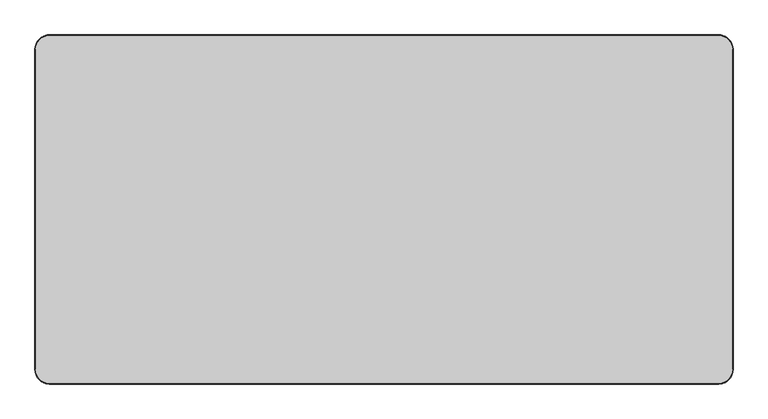
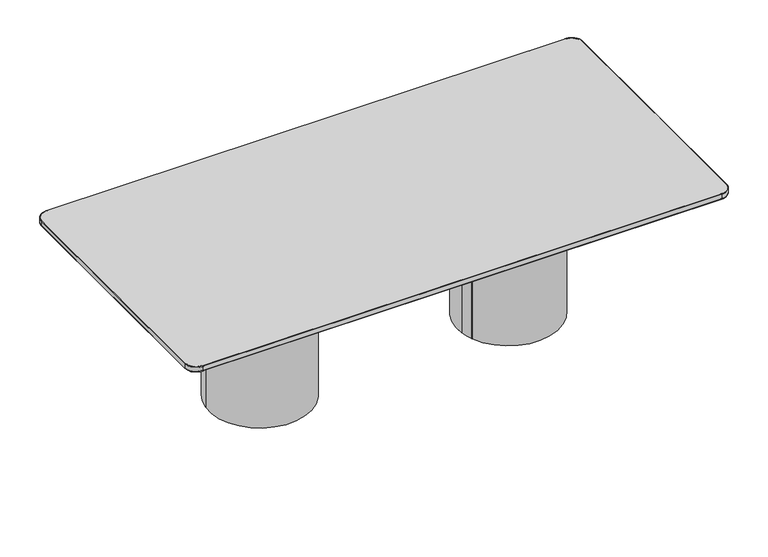
"""IFC4 building model written with IfcOpenShell, lengths in millimetres: furniture geometry."""

from ifc_helpers import new_model, si_unit, point, frame, frame_2d, origin, origin_with_axes, place, context, project, spatial, circle_curve, ellipse_curve, trimmed, segment, composite_curve, outline, extrude, source, transform, mapped, element, save
from ifc_brep_helpers import plane_surface, cylinder_surface, revolved_surface, advanced_brep


def furniture_a3d85867(model_context):
    return source(origin(), model_context, "Body", "SolidModel", [
        extrude(outline(composite_curve([segment(trimmed(circle_curve(frame_2d((550.0, 0.0)), 225.0), [point((327.1030349, -30.6910892))], [point((772.8969651, 30.6910892))], False, "CARTESIAN"), True, "CONTINUOUS"), segment(trimmed(circle_curve(frame_2d((550.0, 0.0)), 225.0), [point((772.8969651, 30.6910892))], [point((342.0305977, -85.8704124))], False, "CARTESIAN"), True, "CONTINUOUS"), segment(trimmed(circle_curve(frame_2d((344.2071397, -84.9717198)), 2.3547788), [point((342.0305977, -85.8704124))], [point((343.3315173, -82.7857947))], False, "CARTESIAN"), True, "CONTINUOUS"), segment(trimmed(circle_curve(frame_2d((342.4558949, -80.5998695)), 2.3547788), [point((343.3315173, -82.7857947))], [point((340.2608311, -81.4523238))], False, "CARTESIAN"), True, "CONTINUOUS"), segment(trimmed(circle_curve(frame_2d((550.0, 0.0)), 225.0), [point((340.2608311, -81.4523238))], [point((327.1030349, -30.6910892))], False, "CARTESIAN"), True, "CONTINUOUS")], self_intersect=False), holes=[composite_curve([segment(trimmed(circle_curve(frame_2d((550.0, 0.0)), 110.0), [point((441.0281504, -15.0045325))], [point((658.9718496, 15.0045325))], True, "CARTESIAN"), True, "CONTINUOUS"), segment(trimmed(circle_curve(frame_2d((550.0, 0.0)), 110.0), [point((658.9718496, 15.0045325))], [point((441.0281504, -15.0045325))], True, "CARTESIAN"), True, "CONTINUOUS")], self_intersect=False)]), frame((0.0, 0.0, 4.8896843), z_axis=(0.0, 0.0, 1.0), x_axis=(1.0, 0.0, 0.0)), (0.0, 0.0, 1.0), 683.0386299),
        extrude(outline(composite_curve([segment(trimmed(circle_curve(frame_2d((763.1156366, 0.078125)), 6.5), [point((769.6156366, 0.078125))], [point((756.6156366, 0.078125))], False, "CARTESIAN"), True, "CONTINUOUS"), segment(trimmed(circle_curve(frame_2d((763.1156366, 0.078125)), 6.5), [point((756.6156366, 0.078125))], [point((769.6156366, 0.078125))], False, "CARTESIAN"), True, "CONTINUOUS")], self_intersect=False)), origin_with_axes(), (0.0, 0.0, 1.0), 4.8896843),
        extrude(outline(composite_curve([segment(trimmed(circle_curve(frame_2d((336.371752, 0.15625)), 6.5), [point((342.871752, 0.15625))], [point((329.871752, 0.15625))], False, "CARTESIAN"), True, "CONTINUOUS"), segment(trimmed(circle_curve(frame_2d((336.371752, 0.15625)), 6.5), [point((329.871752, 0.15625))], [point((342.871752, 0.15625))], False, "CARTESIAN"), True, "CONTINUOUS")], self_intersect=False)), origin_with_axes(), (0.0, 0.0, 1.0), 4.8896843),
        extrude(outline(composite_curve([segment(trimmed(circle_curve(frame_2d((550.3899565, 214.1963606)), 6.5), [point((556.8899565, 214.1963606))], [point((543.8899565, 214.1963606))], False, "CARTESIAN"), True, "CONTINUOUS"), segment(trimmed(circle_curve(frame_2d((550.3899565, 214.1963606)), 6.5), [point((543.8899565, 214.1963606))], [point((556.8899565, 214.1963606))], False, "CARTESIAN"), True, "CONTINUOUS")], self_intersect=False)), origin_with_axes(), (0.0, 0.0, 1.0), 4.8896843),
        extrude(outline(composite_curve([segment(trimmed(circle_curve(frame_2d((550.4382324, -210.2346639)), 6.5), [point((556.9382324, -210.2346639))], [point((543.9382324, -210.2346639))], False, "CARTESIAN"), True, "CONTINUOUS"), segment(trimmed(circle_curve(frame_2d((550.4382324, -210.2346639)), 6.5), [point((543.9382324, -210.2346639))], [point((556.9382324, -210.2346639))], False, "CARTESIAN"), True, "CONTINUOUS")], self_intersect=False)), origin_with_axes(), (0.0, 0.0, 1.0), 4.8896843),
        extrude(outline(composite_curve([segment(trimmed(circle_curve(frame_2d((-550.0, 0.0)), 225.0), [point((-772.8969651, 30.6910892))], [point((-327.1030349, -30.6910892))], False, "CARTESIAN"), True, "CONTINUOUS"), segment(trimmed(circle_curve(frame_2d((-550.0, 0.0)), 225.0), [point((-327.1030349, -30.6910892))], [point((-340.2608311, -81.4523238))], False, "CARTESIAN"), True, "CONTINUOUS"), segment(trimmed(circle_curve(frame_2d((-342.4558949, -80.5998695)), 2.3547788), [point((-340.2608311, -81.4523238))], [point((-343.3315173, -82.7857947))], False, "CARTESIAN"), True, "CONTINUOUS"), segment(trimmed(circle_curve(frame_2d((-344.2071397, -84.9717198)), 2.3547788), [point((-343.3315173, -82.7857947))], [point((-342.0305977, -85.8704124))], False, "CARTESIAN"), True, "CONTINUOUS"), segment(trimmed(circle_curve(frame_2d((-550.0, 0.0)), 225.0), [point((-342.0305977, -85.8704124))], [point((-772.8969651, 30.6910892))], False, "CARTESIAN"), True, "CONTINUOUS")], self_intersect=False), holes=[composite_curve([segment(trimmed(circle_curve(frame_2d((-550.0, 0.0)), 110.0), [point((-441.0281504, -15.0045325))], [point((-658.9718496, 15.0045325))], True, "CARTESIAN"), True, "CONTINUOUS"), segment(trimmed(circle_curve(frame_2d((-550.0, 0.0)), 110.0), [point((-658.9718496, 15.0045325))], [point((-441.0281504, -15.0045325))], True, "CARTESIAN"), True, "CONTINUOUS")], self_intersect=False)]), frame((0.0, 0.0, 4.8896843), z_axis=(0.0, 0.0, 1.0), x_axis=(1.0, 0.0, 0.0)), (0.0, 0.0, 1.0), 683.0386299),
        extrude(outline(composite_curve([segment(trimmed(circle_curve(frame_2d((-763.1156366, 0.078125)), 6.5), [point((-769.6156366, 0.078125))], [point((-756.6156366, 0.078125))], False, "CARTESIAN"), True, "CONTINUOUS"), segment(trimmed(circle_curve(frame_2d((-763.1156366, 0.078125)), 6.5), [point((-756.6156366, 0.078125))], [point((-769.6156366, 0.078125))], False, "CARTESIAN"), True, "CONTINUOUS")], self_intersect=False)), origin_with_axes(), (0.0, 0.0, 1.0), 4.8896843),
        extrude(outline(composite_curve([segment(trimmed(circle_curve(frame_2d((-336.371752, 0.15625)), 6.5), [point((-342.871752, 0.15625))], [point((-329.871752, 0.15625))], False, "CARTESIAN"), True, "CONTINUOUS"), segment(trimmed(circle_curve(frame_2d((-336.371752, 0.15625)), 6.5), [point((-329.871752, 0.15625))], [point((-342.871752, 0.15625))], False, "CARTESIAN"), True, "CONTINUOUS")], self_intersect=False)), origin_with_axes(), (0.0, 0.0, 1.0), 4.8896843),
        extrude(outline(composite_curve([segment(trimmed(circle_curve(frame_2d((-550.3899565, 214.1963606)), 6.5), [point((-556.8899565, 214.1963606))], [point((-543.8899565, 214.1963606))], False, "CARTESIAN"), True, "CONTINUOUS"), segment(trimmed(circle_curve(frame_2d((-550.3899565, 214.1963606)), 6.5), [point((-543.8899565, 214.1963606))], [point((-556.8899565, 214.1963606))], False, "CARTESIAN"), True, "CONTINUOUS")], self_intersect=False)), origin_with_axes(), (0.0, 0.0, 1.0), 4.8896843),
        extrude(outline(composite_curve([segment(trimmed(circle_curve(frame_2d((-550.4382324, -210.2346639)), 6.5), [point((-556.9382324, -210.2346639))], [point((-543.9382324, -210.2346639))], False, "CARTESIAN"), True, "CONTINUOUS"), segment(trimmed(circle_curve(frame_2d((-550.4382324, -210.2346639)), 6.5), [point((-543.9382324, -210.2346639))], [point((-556.9382324, -210.2346639))], False, "CARTESIAN"), True, "CONTINUOUS")], self_intersect=False)), origin_with_axes(), (0.0, 0.0, 1.0), 4.8896843),
        advanced_brep(
        [(-1149.9997658, 597.9997138, 712.3033142), (-1197.9997658, 549.9997138, 712.3033142), (-1197.9997658, -549.9999029, 712.3033142), (-1149.9997658, -597.9999029, 712.3033142), (1149.9998844, -597.9999029, 712.3033142), (1197.999657, -550.0001303, 712.3033142), (1197.999657, 549.9997138, 712.3033142), (1149.999657, 597.9997138, 712.3033142), (1149.999657, 597.9997138, 687.9283142), (1197.999657, 549.9997138, 687.9283142), (1197.999657, -550.0001303, 687.9283142), (1149.9998844, -597.9999029, 687.9283142), (-1149.9997658, -597.9999029, 687.9283142), (-1197.9997658, -549.9999029, 687.9283142), (-1197.9997658, 549.9997138, 687.9283142), (-1149.9997658, 597.9997138, 687.9283142), (-1149.9997658, 599.9997138, 710.3033142), (1149.999657, 599.9997138, 710.3033142), (1149.999657, 599.9997138, 689.928313), (-1149.9997658, 599.9997138, 689.9283142), (-1199.9997658, 549.9997138, 710.3033142), (-1199.9997658, 549.9997138, 689.9283142), (-1199.9997658, -549.9999029, 710.3033142), (-1199.9997658, -549.9999029, 689.9283142), (-1149.9997658, -599.9999029, 710.3033142), (-1149.9997658, -599.9999029, 689.9283142), (1149.9998844, -599.9999029, 710.3033142), (1149.9998844, -599.9999029, 689.9283142), (1199.999657, -550.0001303, 710.3033142), (1199.999657, -550.0001303, 689.9283142), (1199.999657, 549.9997138, 710.3033142), (1199.999657, 549.9997138, 689.9283142)],
        [
            (0, 1, circle_curve(frame((-1149.9997658, 549.9997138, 712.3033142), z_axis=(0.0, 0.0, 1.0), x_axis=(0.0, 1.0, 0.0)), 48.0)),
            (1, 2),
            (2, 3, circle_curve(frame((-1149.9997658, -549.9999029, 712.3033142), z_axis=(0.0, 0.0, 1.0), x_axis=(-1.0, 0.0, 0.0)), 48.0)),
            (3, 4),
            (4, 5, circle_curve(frame((1149.9998844, -550.0001303, 712.3033142), z_axis=(0.0, 0.0, 1.0), x_axis=(0.0, -1.0, 0.0)), 47.9997726)),
            (5, 6),
            (6, 7, circle_curve(frame((1149.999657, 549.9997138, 712.3033142), z_axis=(0.0, 0.0, 1.0), x_axis=(1.0, 0.0, 0.0)), 48.0)),
            (7, 0),
            (8, 9, circle_curve(frame((1149.999657, 549.9997138, 687.9283142), z_axis=(0.0, 0.0, -1.0), x_axis=(0.0, 1.0, 0.0)), 48.0)),
            (9, 10),
            (10, 11, circle_curve(frame((1149.9998844, -550.0001303, 687.9283142), z_axis=(0.0, 0.0, -1.0), x_axis=(1.0, 0.0, 0.0)), 47.9997726)),
            (11, 12),
            (12, 13, circle_curve(frame((-1149.9997658, -549.9999029, 687.9283142), z_axis=(0.0, 0.0, -1.0), x_axis=(0.0, -1.0, 0.0)), 48.0)),
            (13, 14),
            (14, 15, circle_curve(frame((-1149.9997658, 549.9997138, 687.9283142), z_axis=(0.0, 0.0, -1.0), x_axis=(-1.0, 0.0, 0.0)), 48.0)),
            (15, 8),
            (16, 17),
            (17, 18),
            (18, 19),
            (19, 16),
            (20, 16, circle_curve(frame((-1149.9997658, 549.9997138, 710.3033142), z_axis=(0.0, 0.0, -1.0), x_axis=(1.0, 0.0, 0.0)), 50.0)),
            (19, 21, circle_curve(frame((-1149.9997658, 549.9997138, 689.9283142), z_axis=(0.0, 0.0, 1.0), x_axis=(1.0, 0.0, 0.0)), 50.0)),
            (21, 20),
            (22, 20),
            (21, 23),
            (23, 22),
            (24, 22, circle_curve(frame((-1149.9997658, -549.9999029, 710.3033142), z_axis=(0.0, 0.0, -1.0), x_axis=(1.0, 0.0, 0.0)), 50.0)),
            (23, 25, circle_curve(frame((-1149.9997658, -549.9999029, 689.9283142), z_axis=(0.0, 0.0, 1.0), x_axis=(1.0, 0.0, 0.0)), 50.0)),
            (25, 24),
            (26, 24),
            (25, 27),
            (27, 26),
            (28, 26, circle_curve(frame((1149.9998844, -550.0001303, 710.3033142), z_axis=(0.0, 0.0, -1.0), x_axis=(1.0, 0.0, 0.0)), 49.9997726)),
            (27, 29, circle_curve(frame((1149.9998844, -550.0001303, 689.9283142), z_axis=(0.0, 0.0, 1.0), x_axis=(1.0, 0.0, 0.0)), 49.9997726)),
            (29, 28),
            (30, 28),
            (29, 31),
            (31, 30),
            (17, 30, circle_curve(frame((1149.999657, 549.9997138, 710.3033142), z_axis=(0.0, 0.0, -1.0), x_axis=(1.0, 0.0, 0.0)), 50.0)),
            (31, 18, circle_curve(frame((1149.999657, 549.9997138, 689.9283142), z_axis=(0.0, 0.0, 1.0), x_axis=(1.0, 0.0, 0.0)), 50.0)),
            (20, 1, circle_curve(frame((-1197.9997658, 549.9997138, 710.3033142), z_axis=(0.0, 1.0, 0.0), x_axis=(1.0, 0.0, 0.0)), 2.0)),
            (0, 16, circle_curve(frame((-1149.9997658, 597.9997138, 710.3033142), z_axis=(-1.0, 0.0, 0.0), x_axis=(0.0, -1.0, 0.0)), 2.0)),
            (22, 2, circle_curve(frame((-1197.9997658, -549.9999029, 710.3033142), z_axis=(0.0, 1.0, 0.0), x_axis=(1.0, 0.0, 0.0)), 2.0)),
            (24, 3, circle_curve(frame((-1149.9997658, -597.9999029, 710.3033142), z_axis=(-1.0, 0.0, 0.0), x_axis=(0.0, 1.0, 0.0)), 2.0)),
            (26, 4, circle_curve(frame((1149.9998844, -597.9999029, 710.3033142), z_axis=(-1.0, 0.0, 0.0), x_axis=(0.0, 1.0, 0.0)), 2.0)),
            (28, 5, circle_curve(frame((1197.999657, -550.0001303, 710.3033142), z_axis=(0.0, -1.0, 0.0), x_axis=(-1.0, 0.0, 0.0)), 2.0)),
            (30, 6, circle_curve(frame((1197.999657, 549.9997138, 710.3033142), z_axis=(0.0, -1.0, 0.0), x_axis=(-1.0, 0.0, 0.0)), 2.0)),
            (17, 7, circle_curve(frame((1149.999657, 597.9997138, 710.3033142), z_axis=(1.0, 0.0, 0.0), x_axis=(0.0, -1.0, 0.0)), 2.0)),
            (31, 9, circle_curve(frame((1197.999657, 549.9997138, 689.9283142), z_axis=(0.0, 1.0, 0.0), x_axis=(-1.0, 0.0, 0.0)), 2.0)),
            (8, 18, circle_curve(frame((1149.999657, 597.9997138, 689.9283142), z_axis=(1.0, 0.0, 0.0), x_axis=(0.0, -1.0, 0.0)), 2.0)),
            (29, 10, circle_curve(frame((1197.999657, -550.0001303, 689.9283142), z_axis=(0.0, 1.0, 0.0), x_axis=(-1.0, 0.0, 0.0)), 2.0)),
            (27, 11, circle_curve(frame((1149.9998844, -597.9999029, 689.9283142), z_axis=(1.0, 0.0, 0.0), x_axis=(0.0, 1.0, 0.0)), 2.0)),
            (25, 12, circle_curve(frame((-1149.9997658, -597.9999029, 689.9283142), z_axis=(1.0, 0.0, 0.0), x_axis=(0.0, 1.0, 0.0)), 2.0)),
            (23, 13, circle_curve(frame((-1197.9997658, -549.9999029, 689.9283142), z_axis=(0.0, -1.0, 0.0), x_axis=(1.0, 0.0, 0.0)), 2.0)),
            (21, 14, circle_curve(frame((-1197.9997658, 549.9997138, 689.9283142), z_axis=(0.0, -1.0, 0.0), x_axis=(1.0, 0.0, 0.0)), 2.0)),
            (19, 15, circle_curve(frame((-1149.9997658, 597.9997138, 689.9283142), z_axis=(-1.0, 0.0, 0.0), x_axis=(0.0, -1.0, 0.0)), 2.0)),
        ],
        [
            plane_surface(frame((-1149.9997658, 599.9997138, 712.3033142), z_axis=(0.0, 0.0, 1.0), x_axis=(-1.0, 0.0, 0.0))),
            plane_surface(frame((-1149.9997658, 599.9997138, 687.9283142), z_axis=(0.0, 0.0, -1.0), x_axis=(1.0, 0.0, 0.0))),
            plane_surface(frame((1149.999657, 599.9997138, 712.3033142), z_axis=(0.0, 1.0, 0.0), x_axis=(0.0, 0.0, -1.0))),
            cylinder_surface(frame((-1149.9997658, 549.9997138, 687.9283142), z_axis=(0.0, 0.0, 1.0), x_axis=(1.0, 0.0, 0.0)), 50.0),
            plane_surface(frame((-1199.9997658, 549.9997138, 712.3033142), z_axis=(-1.0, 0.0, 0.0), x_axis=(0.0, 0.0, -1.0))),
            cylinder_surface(frame((-1149.9997658, -549.9999029, 687.9283142), z_axis=(0.0, 0.0, 1.0), x_axis=(1.0, 0.0, 0.0)), 50.0),
            plane_surface(frame((-1149.9997658, -599.9999029, 712.3033142), z_axis=(0.0, -1.0, 0.0), x_axis=(0.0, 0.0, -1.0))),
            cylinder_surface(frame((1149.9998844, -550.0001303, 687.9283142), z_axis=(0.0, 0.0, 1.0), x_axis=(1.0, 0.0, 0.0)), 49.9997726),
            plane_surface(frame((1199.999657, -550.0001303, 712.3033142), z_axis=(1.0, 0.0, 0.0), x_axis=(0.0, 0.0, -1.0))),
            cylinder_surface(frame((1149.999657, 549.9997138, 687.9283142), z_axis=(0.0, 0.0, 1.0), x_axis=(1.0, 0.0, 0.0)), 50.0),
            revolved_surface(trimmed(ellipse_curve(frame((-1149.9997658, 597.9997138, 710.3033142), z_axis=(1.0, 0.0, 0.0), x_axis=(0.0, -1.0, 0.0)), 2.0, 2.0), [point((-1149.9997658, 599.9997138, 710.3033142))], [point((-1149.9997658, 597.9997138, 712.3033142))], True, "CARTESIAN"), (-1149.9997658, 549.9997138, 712.3033142), (0.0, 0.0, 1.0)),
            cylinder_surface(frame((-1197.9997658, 549.9997138, 710.3033142), z_axis=(0.0, -1.0, 0.0), x_axis=(1.0, 0.0, 0.0)), 2.0),
            revolved_surface(trimmed(ellipse_curve(frame((-1197.9997658, -549.9999029, 710.3033142), z_axis=(0.0, 1.0, 0.0), x_axis=(1.0, 0.0, 0.0)), 2.0, 2.0), [point((-1199.9997658, -549.9999029, 710.3033142))], [point((-1197.9997658, -549.9999029, 712.3033142))], True, "CARTESIAN"), (-1149.9997658, -549.9999029, 712.3033142), (0.0, 0.0, 1.0)),
            cylinder_surface(frame((-1149.9997658, -597.9999029, 710.3033142), z_axis=(1.0, 0.0, 0.0), x_axis=(0.0, 1.0, 0.0)), 2.0),
            revolved_surface(trimmed(ellipse_curve(frame((1149.9998844, -597.9999029, 710.3033142), z_axis=(-1.0, 0.0, 0.0), x_axis=(0.0, 1.0, 0.0)), 2.0, 2.0), [point((1149.9998844, -599.9999029, 710.3033142))], [point((1149.9998844, -597.9999029, 712.3033142))], True, "CARTESIAN"), (1149.9998844, -550.0001303, 712.3033142), (0.0, 0.0, 1.0)),
            cylinder_surface(frame((1197.999657, -550.0001303, 710.3033142), z_axis=(0.0, 1.0, 0.0), x_axis=(-1.0, 0.0, 0.0)), 2.0),
            revolved_surface(trimmed(ellipse_curve(frame((1197.999657, 549.9997138, 710.3033142), z_axis=(0.0, -1.0, 0.0), x_axis=(-1.0, 0.0, 0.0)), 2.0, 2.0), [point((1199.999657, 549.9997138, 710.3033142))], [point((1197.999657, 549.9997138, 712.3033142))], True, "CARTESIAN"), (1149.999657, 549.9997138, 712.3033142), (0.0, 0.0, 1.0)),
            cylinder_surface(frame((1149.999657, 597.9997138, 710.3033142), z_axis=(-1.0, 0.0, 0.0), x_axis=(0.0, -1.0, 0.0)), 2.0),
            revolved_surface(trimmed(ellipse_curve(frame((1149.999657, 597.9997138, 689.9283142), z_axis=(-1.0, 0.0, 0.0), x_axis=(0.0, -1.0, 0.0)), 2.0, 2.0), [point((1149.999657, 599.9997138, 689.9283142))], [point((1149.999657, 597.9997138, 687.9283142))], True, "CARTESIAN"), (1149.999657, 549.9997138, 687.9283142), (0.0, 0.0, -1.0)),
            cylinder_surface(frame((1197.999657, 549.9997138, 689.9283142), z_axis=(0.0, -1.0, 0.0), x_axis=(-1.0, 0.0, 0.0)), 2.0),
            revolved_surface(trimmed(ellipse_curve(frame((1197.999657, -550.0001303, 689.9283142), z_axis=(0.0, 1.0, 0.0), x_axis=(-1.0, 0.0, 0.0)), 2.0, 2.0), [point((1199.999657, -550.0001303, 689.9283142))], [point((1197.999657, -550.0001303, 687.9283142))], True, "CARTESIAN"), (1149.9998844, -550.0001303, 687.9283142), (0.0, 0.0, -1.0)),
            cylinder_surface(frame((1149.9998844, -597.9999029, 689.9283142), z_axis=(-1.0, 0.0, 0.0), x_axis=(0.0, 1.0, 0.0)), 2.0),
            revolved_surface(trimmed(ellipse_curve(frame((-1149.9997658, -597.9999029, 689.9283142), z_axis=(1.0, 0.0, 0.0), x_axis=(0.0, 1.0, 0.0)), 2.0, 2.0), [point((-1149.9997658, -599.9999029, 689.9283142))], [point((-1149.9997658, -597.9999029, 687.9283142))], True, "CARTESIAN"), (-1149.9997658, -549.9999029, 687.9283142), (0.0, 0.0, -1.0)),
            cylinder_surface(frame((-1197.9997658, -549.9999029, 689.9283142), z_axis=(0.0, 1.0, 0.0), x_axis=(1.0, 0.0, 0.0)), 2.0),
            revolved_surface(trimmed(ellipse_curve(frame((-1197.9997658, 549.9997138, 689.9283142), z_axis=(0.0, -1.0, 0.0), x_axis=(1.0, 0.0, 0.0)), 2.0, 2.0), [point((-1199.9997658, 549.9997138, 689.9283142))], [point((-1197.9997658, 549.9997138, 687.9283142))], True, "CARTESIAN"), (-1149.9997658, 549.9997138, 687.9283142), (0.0, 0.0, -1.0)),
            cylinder_surface(frame((-1149.9997658, 597.9997138, 689.9283142), z_axis=(1.0, 0.0, 0.0), x_axis=(0.0, -1.0, 0.0)), 2.0),
        ],
        [
            (0, [[1, 2, 3, 4, 5, 6, 7, 8]]),
            (1, [[9, 10, 11, 12, 13, 14, 15, 16]]),
            (2, [[17, 18, 19, 20]]),
            (3, [[21, -20, 22, 23]]),
            (4, [[24, -23, 25, 26]]),
            (5, [[27, -26, 28, 29]]),
            (6, [[30, -29, 31, 32]]),
            (7, [[33, -32, 34, 35]]),
            (8, [[36, -35, 37, 38]]),
            (9, [[39, -38, 40, -18]]),
            (10, [[41, -1, 42, -21]]),
            (11, [[-41, -24, 43, -2]]),
            (12, [[-43, -27, 44, -3]]),
            (13, [[-44, -30, 45, -4]]),
            (14, [[-45, -33, 46, -5]]),
            (15, [[-46, -36, 47, -6]]),
            (16, [[-47, -39, 48, -7]]),
            (17, [[-42, -8, -48, -17]]),
            (18, [[49, -9, 50, -40]]),
            (19, [[-49, -37, 51, -10]]),
            (20, [[-51, -34, 52, -11]]),
            (21, [[-52, -31, 53, -12]]),
            (22, [[-53, -28, 54, -13]]),
            (23, [[-54, -25, 55, -14]]),
            (24, [[-55, -22, 56, -15]]),
            (25, [[-50, -16, -56, -19]]),
        ],
    ),
    ])


if __name__ == "__main__":
    model = new_model("IFC4")
    model_context = context("Model", 3, world=origin())
    ifc_project = project(units=[si_unit("LENGTHUNIT", "METRE", prefix="MILLI")], contexts=[model_context])
    site = spatial("IfcSite", under=ifc_project)
    building = spatial("IfcBuilding", under=site)
    placement = place(None, origin())
    furniture_shape = furniture_a3d85867(model_context)
    element("IfcFurniture", 1, at=placement, inside=building, context=model_context, shape_type="MappedRepresentation", body=[
        mapped(furniture_shape, transform((0.0, 0.0, 0.0), x_axis=(1.0, 0.0, 0.0), y_axis=(0.0, 1.0, 0.0), z_axis=(0.0, 0.0, 1.0))),
    ])
    save(model, "model.ifc")
